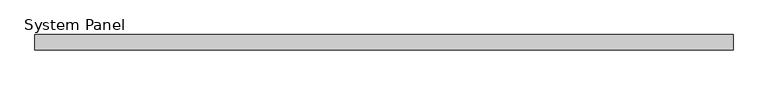
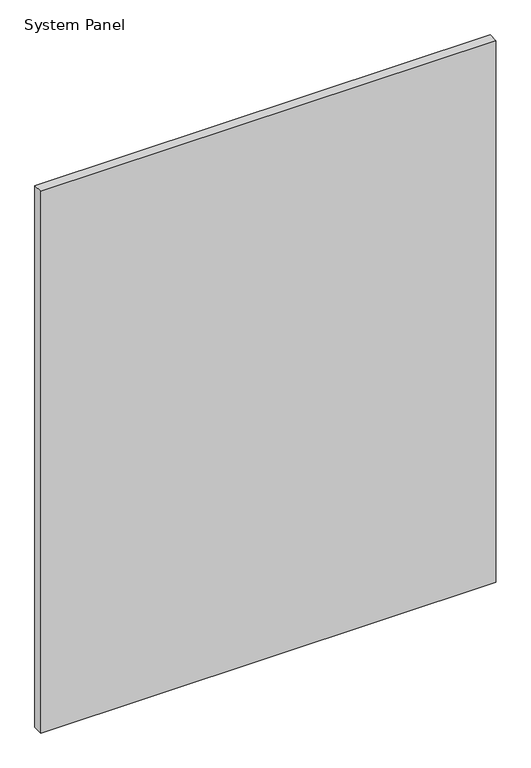
"""IFC4 building model written with IfcOpenShell, lengths in millimetres: plate geometry, System Panel."""

from ifc_helpers import new_model, si_unit, origin, origin_with_axes, place, context, project, spatial, polyline, outline, extrude, source, transform, mapped, element, save


def system_panel_12d67189(model_context):
    return source(origin(), model_context, "Body", "SweptSolid", [
        extrude(outline(polyline([(575.721461, 18.5539062), (-575.721461, 18.5539062), (-575.721461, 43.9539062), (575.721461, 43.9539062), (575.721461, 18.5539062)])), origin_with_axes(), (0.0, 0.0, 1.0), 1448.5890554),
    ])


if __name__ == "__main__":
    model = new_model("IFC4")
    model_context = context("Model", 3, world=origin())
    ifc_project = project(units=[si_unit("LENGTHUNIT", "METRE", prefix="MILLI")], contexts=[model_context])
    site = spatial("IfcSite", under=ifc_project)
    building = spatial("IfcBuilding", under=site)
    placement = place(None, origin())
    system_panel_shape = system_panel_12d67189(model_context)
    element("IfcPlate", 1, ObjectType="System Panel", at=placement, inside=building, context=model_context, shape_type="MappedRepresentation", body=[
        mapped(system_panel_shape, transform((0.0, 0.0, 0.0), x_axis=(1.0, 0.0, 0.0), y_axis=(0.0, 1.0, 0.0), z_axis=(0.0, 0.0, 1.0))),
    ])
    save(model, "model.ifc")
